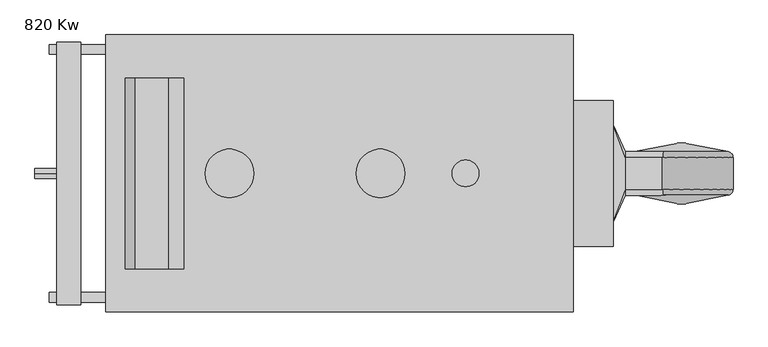
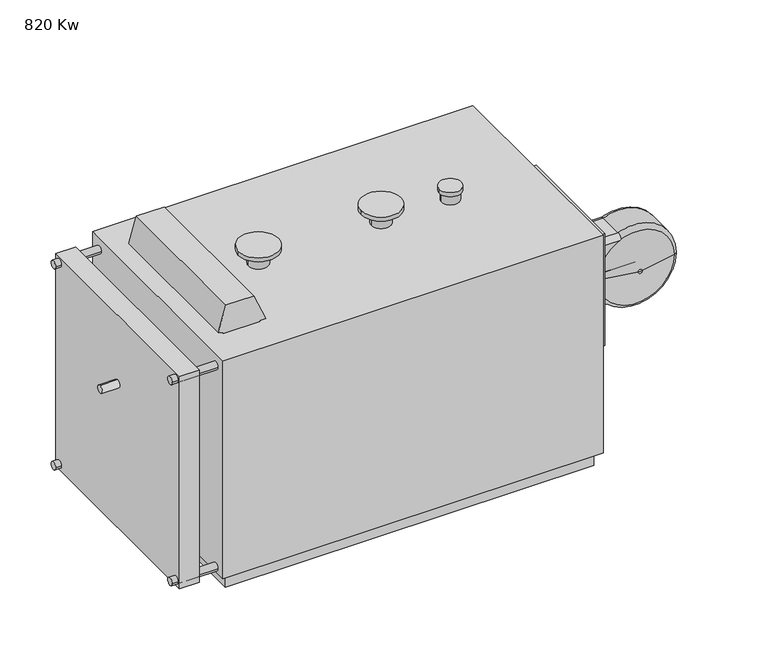
"""IFC4 building model written with IfcOpenShell, lengths in millimetres: proxy geometry, 820 Kw."""

from ifc_helpers import new_model, si_unit, point, frame, frame_2d, origin, origin_with_axes, place, context, project, spatial, polyline, circle_curve, ellipse_curve, trimmed, segment, composite_curve, outline, extrude, source, transform, mapped, element, save
from ifc_brep_helpers import plane_surface, cylinder_surface, revolved_surface, spline_surface, advanced_brep


def proxy_820_kw_53d63496(model_context):
    return source(origin(), model_context, "Body", "SolidModel", [
        extrude(outline(polyline([(840.0, 1027.0), (840.0, 427.0), (240.0, 427.0), (240.0, 1027.0), (840.0, 1027.0)]), holes=[composite_curve([segment(trimmed(circle_curve(frame_2d((540.0, 727.0)), 175.0), [point((365.0, 727.0))], [point((715.0, 727.0))], True, "CARTESIAN"), True, "CONTINUOUS"), segment(trimmed(circle_curve(frame_2d((540.0, 727.0)), 175.0), [point((715.0, 727.0))], [point((365.0, 727.0))], True, "CARTESIAN"), True, "CONTINUOUS")], self_intersect=False)]), frame((1890.0, 0.0, 0.0), z_axis=(1.0, 0.0, 0.0), x_axis=(0.0, 1.0, 0.0)), (0.0, 0.0, 1.0), 165.0),
        extrude(outline(polyline([(1890.0, 1110.0), (1890.0, -30.0), (-30.0, -30.0), (-30.0, 1110.0), (1890.0, 1110.0)])), frame((0.0, 0.0, 75.0), z_axis=(0.0, 0.0, 1.0), x_axis=(1.0, 0.0, 0.0)), (0.0, 0.0, 1.0), 1165.0),
        extrude(outline(composite_curve([segment(trimmed(circle_curve(frame_2d((540.0, 844.0)), 20.0), [point((540.0, 824.0))], [point((540.0, 864.0))], False, "CARTESIAN"), True, "CONTINUOUS"), segment(trimmed(circle_curve(frame_2d((540.0, 844.0)), 20.0), [point((540.0, 864.0))], [point((540.0, 824.0))], False, "CARTESIAN"), True, "CONTINUOUS")], self_intersect=False)), frame((-321.0, 0.0, 0.0), z_axis=(1.0, 0.0, 0.0), x_axis=(0.0, 1.0, 0.0)), (0.0, 0.0, 1.0), 89.0),
        extrude(outline(composite_curve([segment(trimmed(circle_curve(frame_2d((540.0, 216.0)), 50.0), [point((490.0, 216.0))], [point((590.0, 216.0))], False, "CARTESIAN"), True, "CONTINUOUS"), segment(trimmed(circle_curve(frame_2d((540.0, 216.0)), 50.0), [point((590.0, 216.0))], [point((490.0, 216.0))], False, "CARTESIAN"), True, "CONTINUOUS")], self_intersect=False)), frame((2025.0, 0.0, 0.0), z_axis=(1.0, 0.0, 0.0), x_axis=(0.0, 1.0, 0.0)), (0.0, 0.0, 1.0), 30.0),
        extrude(outline(composite_curve([segment(trimmed(circle_curve(frame_2d((540.0, 216.0)), 35.0), [point((505.0, 216.0))], [point((575.0, 216.0))], False, "CARTESIAN"), True, "CONTINUOUS"), segment(trimmed(circle_curve(frame_2d((540.0, 216.0)), 35.0), [point((575.0, 216.0))], [point((505.0, 216.0))], False, "CARTESIAN"), True, "CONTINUOUS")], self_intersect=False)), frame((1890.0, 0.0, 0.0), z_axis=(1.0, 0.0, 0.0), x_axis=(0.0, 1.0, 0.0)), (0.0, 0.0, 1.0), 135.0),
        advanced_brep(
        [(2325.0, 415.0, 620.0), (2345.0, 415.0, 620.0), (2335.0, 415.0, 620.0), (2143.2132874, 450.4625311, 620.0), (2526.7867126, 450.4625311, 620.0), (2123.0, 475.0, 620.0), (2547.0, 475.0, 620.0), (2123.0, 605.0, 620.0), (2547.0, 605.0, 620.0), (2143.2132874, 629.5374689, 620.0), (2526.7867126, 629.5374689, 620.0), (2325.0, 665.0, 620.0), (2345.0, 665.0, 620.0), (2335.0, 665.0, 620.0)],
        [
            (0, 1, circle_curve(frame((2335.0, 415.0, 620.0), z_axis=(0.0, -1.0, 0.0), x_axis=(1.0, 0.0, 0.0)), 10.0)),
            (1, 2),
            (2, 0),
            (1, 0, circle_curve(frame((2335.0, 415.0, 620.0), z_axis=(0.0, -1.0, 0.0), x_axis=(1.0, 0.0, 0.0)), 10.0)),
            (3, 4, circle_curve(frame((2335.0, 450.4625311, 620.0), z_axis=(0.0, -1.0, 0.0), x_axis=(1.0, 0.0, 0.0)), 191.7867126)),
            (4, 1),
            (0, 3),
            (4, 3, circle_curve(frame((2335.0, 450.4625311, 620.0), z_axis=(0.0, -1.0, 0.0), x_axis=(1.0, 0.0, 0.0)), 191.7867126)),
            (5, 6, circle_curve(frame((2335.0, 475.0, 620.0), z_axis=(0.0, -1.0, 0.0), x_axis=(1.0, 0.0, 0.0)), 212.0)),
            (6, 4, circle_curve(frame((2522.0, 475.0, 620.0), z_axis=(0.0, 0.0, -1.0), x_axis=(-1.0, 0.0, 0.0)), 25.0)),
            (3, 5, circle_curve(frame((2148.0, 475.0, 620.0), z_axis=(0.0, 0.0, -1.0), x_axis=(1.0, 0.0, 0.0)), 25.0)),
            (6, 5, circle_curve(frame((2335.0, 475.0, 620.0), z_axis=(0.0, -1.0, 0.0), x_axis=(1.0, 0.0, 0.0)), 212.0)),
            (7, 8, circle_curve(frame((2335.0, 605.0, 620.0), z_axis=(0.0, -1.0, 0.0), x_axis=(1.0, 0.0, 0.0)), 212.0)),
            (8, 6),
            (5, 7),
            (8, 7, circle_curve(frame((2335.0, 605.0, 620.0), z_axis=(0.0, -1.0, 0.0), x_axis=(1.0, 0.0, 0.0)), 212.0)),
            (9, 10, circle_curve(frame((2335.0, 629.5374689, 620.0), z_axis=(0.0, -1.0, 0.0), x_axis=(1.0, 0.0, 0.0)), 191.7867126)),
            (10, 8, circle_curve(frame((2522.0, 605.0, 620.0), z_axis=(0.0, 0.0, -1.0), x_axis=(-1.0, 0.0, 0.0)), 25.0)),
            (7, 9, circle_curve(frame((2148.0, 605.0, 620.0), z_axis=(0.0, 0.0, -1.0), x_axis=(1.0, 0.0, 0.0)), 25.0)),
            (10, 9, circle_curve(frame((2335.0, 629.5374689, 620.0), z_axis=(0.0, -1.0, 0.0), x_axis=(1.0, 0.0, 0.0)), 191.7867126)),
            (11, 12, circle_curve(frame((2335.0, 665.0, 620.0), z_axis=(0.0, -1.0, 0.0), x_axis=(1.0, 0.0, 0.0)), 10.0)),
            (12, 10),
            (9, 11),
            (12, 11, circle_curve(frame((2335.0, 665.0, 620.0), z_axis=(0.0, -1.0, 0.0), x_axis=(1.0, 0.0, 0.0)), 10.0)),
            (13, 12),
            (11, 13),
        ],
        [
            plane_surface(frame((2335.0, 415.0, 620.0), z_axis=(0.0, -1.0, 0.0), x_axis=(1.0, 0.0, 0.0))),
            revolved_surface(polyline([(2345.0, 415.0, 620.0), (2526.7867126, 450.4625311, 620.0)]), (2335.0, 1442.4208958, 620.0), (0.0, 1.0, 0.0)),
            revolved_surface(trimmed(ellipse_curve(frame((2522.0, 475.0, 620.0), z_axis=(0.0, 0.0, 1.0), x_axis=(-1.0, 0.0, 0.0)), 25.0, 25.0), [point((2526.7867126, 450.4625311, 620.0))], [point((2547.0, 475.0, 620.0))], True, "CARTESIAN"), (2335.0, 1442.4208958, 620.0), (0.0, 1.0, 0.0)),
            cylinder_surface(frame((2335.0, 1442.4208958, 620.0), z_axis=(0.0, 1.0, 0.0), x_axis=(1.0, 0.0, 0.0)), 212.0),
            revolved_surface(trimmed(ellipse_curve(frame((2522.0, 605.0, 620.0), z_axis=(0.0, 0.0, 1.0), x_axis=(-1.0, 0.0, 0.0)), 25.0, 25.0), [point((2547.0, 605.0, 620.0))], [point((2526.7867126, 629.5374689, 620.0))], True, "CARTESIAN"), (2335.0, 1442.4208958, 620.0), (0.0, 1.0, 0.0)),
            revolved_surface(polyline([(2526.7867126, 629.5374689, 620.0), (2345.0, 665.0, 620.0)]), (2335.0, 1442.4208958, 620.0), (0.0, 1.0, 0.0)),
            plane_surface(frame((2335.0, 665.0, 620.0), z_axis=(0.0, 1.0, 0.0), x_axis=(1.0, 0.0, 0.0))),
        ],
        [
            (0, [[1, 2, 3]]),
            (0, [[4, -3, -2]]),
            (1, [[5, 6, -1, 7]]),
            (1, [[8, -7, -4, -6]]),
            (2, [[9, 10, -5, 11]]),
            (2, [[12, -11, -8, -10]]),
            (3, [[13, 14, -9, 15]]),
            (3, [[16, -15, -12, -14]]),
            (4, [[17, 18, -13, 19]]),
            (4, [[20, -19, -16, -18]]),
            (5, [[21, 22, -17, 23]]),
            (5, [[24, -23, -20, -22]]),
            (6, [[25, -21, 26]]),
            (6, [[-26, -24, -25]]),
        ],
    ),
        advanced_brep(
        [(2105.0, 630.0, 792.0), (2105.0, 605.0, 817.0), (2105.0, 475.0, 817.0), (2105.0, 450.0, 792.0), (2105.0, 450.0, 662.0), (2105.0, 475.0, 637.0), (2105.0, 605.0, 637.0), (2105.0, 630.0, 662.0), (2055.0, 740.0, 927.0), (2055.0, 740.0, 527.0), (2055.0, 340.0, 527.0), (2055.0, 340.0, 927.0)],
        [
            (0, 1, circle_curve(frame((2105.0, 605.0, 792.0), z_axis=(1.0, 0.0, 0.0), x_axis=(0.0, 1.0, 0.0)), 25.0)),
            (1, 2),
            (2, 3, circle_curve(frame((2105.0, 475.0, 792.0), z_axis=(1.0, 0.0, 0.0), x_axis=(0.0, 1.0, 0.0)), 25.0)),
            (3, 4),
            (4, 5, circle_curve(frame((2105.0, 475.0, 662.0), z_axis=(1.0, 0.0, 0.0), x_axis=(0.0, 1.0, 0.0)), 25.0)),
            (5, 6),
            (6, 7, circle_curve(frame((2105.0, 605.0, 662.0), z_axis=(1.0, 0.0, 0.0), x_axis=(0.0, 1.0, 0.0)), 25.0)),
            (7, 0),
            (8, 9),
            (9, 10),
            (10, 11),
            (11, 8),
            (0, 8),
            (8, 1),
            (11, 2),
            (11, 3),
            (10, 4),
            (10, 5),
            (9, 6),
            (9, 7),
        ],
        [
            plane_surface(frame((2105.0, 540.0, 727.0), z_axis=(1.0, 0.0, 0.0), x_axis=(0.0, -1.0, 0.0))),
            plane_surface(frame((2055.0, 540.0, 727.0), z_axis=(-1.0, 0.0, 0.0), x_axis=(0.0, -1.0, 0.0))),
            spline_surface(2, 1, [[(2055.0, 740.0, 927.0), (2105.0, 630.0, 792.0)], [(2055.0, 740.0, 927.0), (2105.0, 630.0, 817.0)], [(2055.0, 740.0, 927.0), (2105.0, 605.0, 817.0)]], [3, 3], [2, 2], [0.0, 1.0], [0.0, 1.0], weights=[[1.0, 1.0], [0.7071067811865476, 0.7071067811865476], [1.0, 1.0]]),
            plane_surface(frame((2055.0, 540.0, 927.0), z_axis=(0.9103664774626201, 0.0, 0.41380294430115017), x_axis=(0.0, -1.0, 0.0))),
            spline_surface(2, 1, [[(2055.0, 340.0, 927.0), (2105.0, 475.0, 817.0)], [(2055.0, 340.0, 927.0), (2105.0, 450.0, 817.0)], [(2055.0, 340.0, 927.0), (2105.0, 450.0, 792.0)]], [3, 3], [2, 2], [0.0, 1.0], [0.0, 1.0], weights=[[1.0, 1.0], [0.7071067811865476, 0.7071067811865476], [1.0, 1.0]]),
            plane_surface(frame((2055.0, 340.0, 727.0), z_axis=(0.9103664774626014, -0.4138029443011915, 0.0), x_axis=(0.0, 0.0, -1.0))),
            spline_surface(2, 1, [[(2055.0, 340.0, 527.0), (2105.0, 450.0, 662.0)], [(2055.0, 340.0, 527.0), (2105.0, 450.0, 637.0)], [(2055.0, 340.0, 527.0), (2105.0, 475.0, 637.0)]], [3, 3], [2, 2], [0.0, 1.0], [0.0, 1.0], weights=[[1.0, 1.0], [0.7071067811865476, 0.7071067811865476], [1.0, 1.0]]),
            plane_surface(frame((2055.0, 540.0, 527.0), z_axis=(0.910366477462625, 0.0, -0.4138029443011396), x_axis=(0.0, 1.0, 0.0))),
            spline_surface(2, 1, [[(2055.0, 740.0, 527.0), (2105.0, 605.0, 637.0)], [(2055.0, 740.0, 527.0), (2105.0, 630.0, 637.0)], [(2055.0, 740.0, 527.0), (2105.0, 630.0, 662.0)]], [3, 3], [2, 2], [0.0, 1.0], [0.0, 1.0], weights=[[1.0, 1.0], [0.7071067811865476, 0.7071067811865476], [1.0, 1.0]]),
            plane_surface(frame((2055.0, 740.0, 727.0), z_axis=(0.9103664774625945, 0.4138029443012067, 0.0), x_axis=(0.0, 0.0, 1.0))),
        ],
        [
            (0, [[1, 2, 3, 4, 5, 6, 7, 8]]),
            (1, [[9, 10, 11, 12]]),
            (2, [[-1, 13, 14]]),
            (3, [[-12, 15, -2, -14]]),
            (4, [[-3, -15, 16]]),
            (5, [[-11, 17, -4, -16]]),
            (6, [[-5, -17, 18]]),
            (7, [[-10, 19, -6, -18]]),
            (8, [[-7, -19, 20]]),
            (9, [[-9, -13, -8, -20]]),
        ],
    ),
        extrude(outline(composite_curve([segment(trimmed(circle_curve(frame_2d((605.0, 792.0)), 25.0), [point((605.0, 817.0))], [point((630.0, 792.0))], False, "CARTESIAN"), True, "CONTINUOUS"), segment(polyline([(630.0, 792.0), (630.0, 662.0)]), True, "CONTINUOUS"), segment(trimmed(circle_curve(frame_2d((605.0, 662.0)), 25.0), [point((630.0, 662.0))], [point((605.0, 637.0))], False, "CARTESIAN"), True, "CONTINUOUS"), segment(polyline([(605.0, 637.0), (475.0, 637.0)]), True, "CONTINUOUS"), segment(trimmed(circle_curve(frame_2d((475.0, 662.0)), 25.0), [point((475.0, 637.0))], [point((450.0, 662.0))], False, "CARTESIAN"), True, "CONTINUOUS"), segment(polyline([(450.0, 662.0), (450.0, 792.0)]), True, "CONTINUOUS"), segment(trimmed(circle_curve(frame_2d((475.0, 792.0)), 25.0), [point((450.0, 792.0))], [point((475.0, 817.0))], False, "CARTESIAN"), True, "CONTINUOUS"), segment(polyline([(475.0, 817.0), (605.0, 817.0)]), True, "CONTINUOUS")], self_intersect=False)), frame((2105.0, 0.0, 0.0), z_axis=(1.0, 0.0, 0.0), x_axis=(0.0, 1.0, 0.0)), (0.0, 0.0, 1.0), 230.0),
        extrude(outline(polyline([(1240.0, 75.0), (1240.0, 258.0), (1246.0, 258.0), (1246.0, 290.0), (1388.0, 229.3162267), (1388.0, 88.4041383), (1255.2332749, 49.6317856), (1246.0, 75.0), (1240.0, 75.0)])), frame((0.0, 148.0, 0.0), z_axis=(0.0, 1.0, 0.0), x_axis=(0.0, 0.0, 1.0)), (0.0, 0.0, 1.0), 784.0),
        extrude(outline(composite_curve([segment(trimmed(circle_curve(frame_2d((1448.0, 540.0)), 55.0), [point((1393.0, 540.0))], [point((1503.0, 540.0))], False, "CARTESIAN"), True, "CONTINUOUS"), segment(trimmed(circle_curve(frame_2d((1448.0, 540.0)), 55.0), [point((1503.0, 540.0))], [point((1393.0, 540.0))], False, "CARTESIAN"), True, "CONTINUOUS")], self_intersect=False)), frame((0.0, 0.0, 1292.0), z_axis=(0.0, 0.0, 1.0), x_axis=(1.0, 0.0, 0.0)), (0.0, 0.0, 1.0), 21.0),
        extrude(outline(composite_curve([segment(trimmed(circle_curve(frame_2d((1098.0, 540.0)), 100.0), [point((998.0, 540.0))], [point((1198.0, 540.0))], False, "CARTESIAN"), True, "CONTINUOUS"), segment(trimmed(circle_curve(frame_2d((1098.0, 540.0)), 100.0), [point((1198.0, 540.0))], [point((998.0, 540.0))], False, "CARTESIAN"), True, "CONTINUOUS")], self_intersect=False)), frame((0.0, 0.0, 1315.0), z_axis=(0.0, 0.0, 1.0), x_axis=(1.0, 0.0, 0.0)), (0.0, 0.0, 1.0), 21.0),
        extrude(outline(composite_curve([segment(trimmed(circle_curve(frame_2d((478.0, 540.0)), 100.0), [point((378.0, 540.0))], [point((578.0, 540.0))], False, "CARTESIAN"), True, "CONTINUOUS"), segment(trimmed(circle_curve(frame_2d((478.0, 540.0)), 100.0), [point((578.0, 540.0))], [point((378.0, 540.0))], False, "CARTESIAN"), True, "CONTINUOUS")], self_intersect=False)), frame((0.0, 0.0, 1315.0), z_axis=(0.0, 0.0, 1.0), x_axis=(1.0, 0.0, 0.0)), (0.0, 0.0, 1.0), 21.0),
        extrude(outline(composite_curve([segment(trimmed(circle_curve(frame_2d((1448.0, 540.0)), 45.0), [point((1403.0, 540.0))], [point((1493.0, 540.0))], False, "CARTESIAN"), True, "CONTINUOUS"), segment(trimmed(circle_curve(frame_2d((1448.0, 540.0)), 45.0), [point((1493.0, 540.0))], [point((1403.0, 540.0))], False, "CARTESIAN"), True, "CONTINUOUS")], self_intersect=False)), frame((0.0, 0.0, 1240.0), z_axis=(0.0, 0.0, 1.0), x_axis=(1.0, 0.0, 0.0)), (0.0, 0.0, 1.0), 52.0),
        extrude(outline(composite_curve([segment(trimmed(circle_curve(frame_2d((1098.0, 540.0)), 50.0), [point((1048.0, 540.0))], [point((1148.0, 540.0))], False, "CARTESIAN"), True, "CONTINUOUS"), segment(trimmed(circle_curve(frame_2d((1098.0, 540.0)), 50.0), [point((1148.0, 540.0))], [point((1048.0, 540.0))], False, "CARTESIAN"), True, "CONTINUOUS")], self_intersect=False)), frame((0.0, 0.0, 1240.0), z_axis=(0.0, 0.0, 1.0), x_axis=(1.0, 0.0, 0.0)), (0.0, 0.0, 1.0), 75.0),
        extrude(outline(composite_curve([segment(trimmed(circle_curve(frame_2d((478.0, 540.0)), 50.0), [point((428.0, 540.0))], [point((528.0, 540.0))], False, "CARTESIAN"), True, "CONTINUOUS"), segment(trimmed(circle_curve(frame_2d((478.0, 540.0)), 50.0), [point((528.0, 540.0))], [point((428.0, 540.0))], False, "CARTESIAN"), True, "CONTINUOUS")], self_intersect=False)), frame((0.0, 0.0, 1240.0), z_axis=(0.0, 0.0, 1.0), x_axis=(1.0, 0.0, 0.0)), (0.0, 0.0, 1.0), 75.0),
        extrude(outline(composite_curve([segment(trimmed(circle_curve(frame_2d((1050.0, 1180.0)), 20.0), [point((1030.0, 1180.0))], [point((1070.0, 1180.0))], False, "CARTESIAN"), True, "CONTINUOUS"), segment(trimmed(circle_curve(frame_2d((1050.0, 1180.0)), 20.0), [point((1070.0, 1180.0))], [point((1030.0, 1180.0))], False, "CARTESIAN"), True, "CONTINUOUS")], self_intersect=False)), frame((-262.0, 0.0, 0.0), z_axis=(1.0, 0.0, 0.0), x_axis=(0.0, 1.0, 0.0)), (0.0, 0.0, 1.0), 232.0),
        extrude(outline(composite_curve([segment(trimmed(circle_curve(frame_2d((30.0, 1180.0)), 20.0), [point((10.0, 1180.0))], [point((50.0, 1180.0))], False, "CARTESIAN"), True, "CONTINUOUS"), segment(trimmed(circle_curve(frame_2d((30.0, 1180.0)), 20.0), [point((50.0, 1180.0))], [point((10.0, 1180.0))], False, "CARTESIAN"), True, "CONTINUOUS")], self_intersect=False)), frame((-262.0, 0.0, 0.0), z_axis=(1.0, 0.0, 0.0), x_axis=(0.0, 1.0, 0.0)), (0.0, 0.0, 1.0), 232.0),
        extrude(outline(composite_curve([segment(trimmed(circle_curve(frame_2d((1050.0, 105.0)), 20.0), [point((1030.0, 105.0))], [point((1070.0, 105.0))], False, "CARTESIAN"), True, "CONTINUOUS"), segment(trimmed(circle_curve(frame_2d((1050.0, 105.0)), 20.0), [point((1070.0, 105.0))], [point((1030.0, 105.0))], False, "CARTESIAN"), True, "CONTINUOUS")], self_intersect=False)), frame((-262.0, 0.0, 0.0), z_axis=(1.0, 0.0, 0.0), x_axis=(0.0, 1.0, 0.0)), (0.0, 0.0, 1.0), 232.0),
        extrude(outline(composite_curve([segment(trimmed(circle_curve(frame_2d((30.0, 105.0)), 20.0), [point((10.0, 105.0))], [point((50.0, 105.0))], False, "CARTESIAN"), True, "CONTINUOUS"), segment(trimmed(circle_curve(frame_2d((30.0, 105.0)), 20.0), [point((50.0, 105.0))], [point((10.0, 105.0))], False, "CARTESIAN"), True, "CONTINUOUS")], self_intersect=False)), frame((-262.0, 0.0, 0.0), z_axis=(1.0, 0.0, 0.0), x_axis=(0.0, 1.0, 0.0)), (0.0, 0.0, 1.0), 232.0),
        extrude(outline(polyline([(-133.0, 1080.0), (-133.0, 0.0), (-232.0, 0.0), (-232.0, 1080.0), (-133.0, 1080.0)])), frame((0.0, 0.0, 75.0), z_axis=(0.0, 0.0, 1.0), x_axis=(1.0, 0.0, 0.0)), (0.0, 0.0, 1.0), 1135.0),
        extrude(outline(polyline([(1860.0, 1080.0), (1860.0, 0.0), (0.0, 0.0), (0.0, 1080.0), (1860.0, 1080.0)])), origin_with_axes(), (0.0, 0.0, 1.0), 75.0),
    ])


if __name__ == "__main__":
    model = new_model("IFC4")
    model_context = context("Model", 3, world=origin())
    ifc_project = project(units=[si_unit("LENGTHUNIT", "METRE", prefix="MILLI")], contexts=[model_context])
    site = spatial("IfcSite", under=ifc_project)
    building = spatial("IfcBuilding", under=site)
    placement = place(None, origin())
    proxy_820_kw_shape = proxy_820_kw_53d63496(model_context)
    element("IfcBuildingElementProxy", 1, Name="820 Kw", ObjectType="820 Kw", at=placement, inside=building, context=model_context, shape_type="MappedRepresentation", body=[
        mapped(proxy_820_kw_shape, transform((0.0, 0.0, 0.0), x_axis=(1.0, 0.0, 0.0), y_axis=(0.0, 1.0, 0.0), z_axis=(0.0, 0.0, 1.0))),
    ])
    save(model, "model.ifc")
